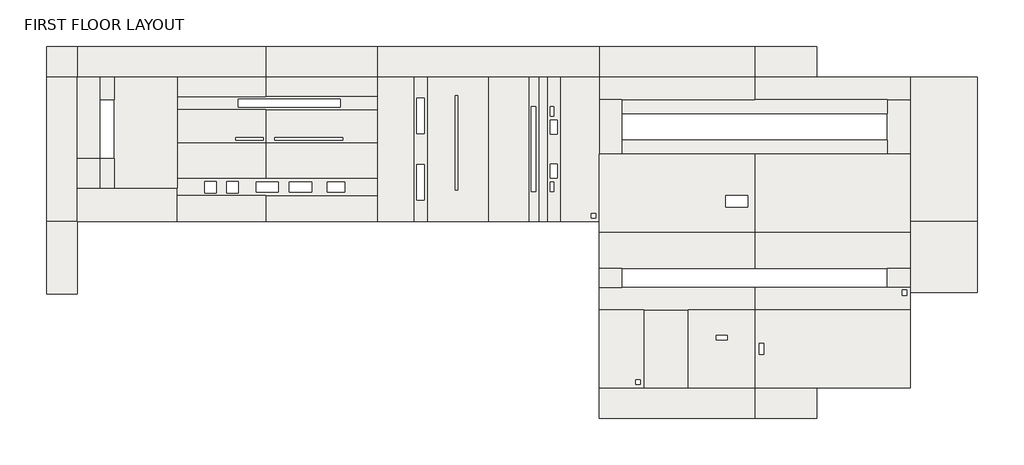
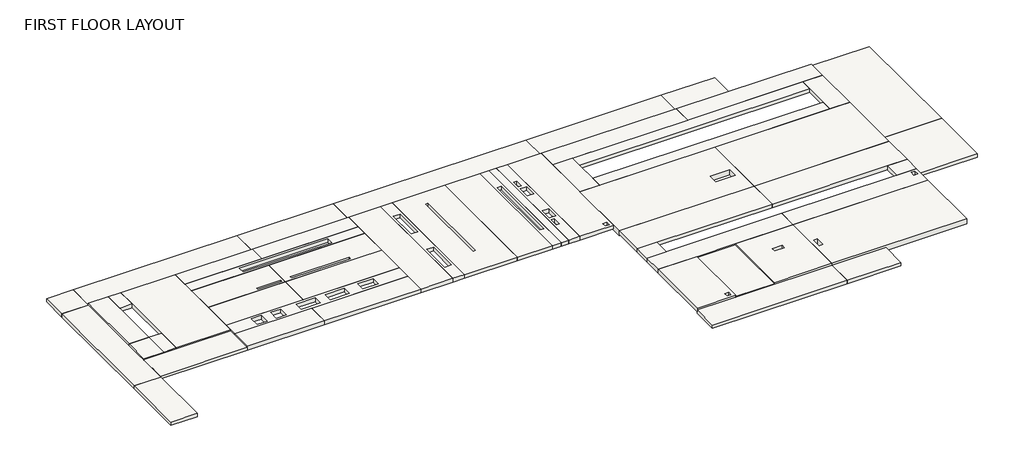
# One storey: 54 slabs.
"""IFC4 building model written with IfcOpenShell, lengths in millimetres."""

from ifc_helpers import new_model, si_unit, frame, origin, place, context, project, spatial, polyline, outline, extrude, faceted_brep, element, save

model = new_model("IFC4")

# Units and contexts
model_context = context("Model", 3, world=origin())
ifc_project = project(units=[si_unit("LENGTHUNIT", "METRE", prefix="MILLI")], contexts=[model_context])

# Site, building, storey
site = spatial("IfcSite", under=ifc_project)
building = spatial("IfcBuilding", under=site)
storey = spatial("IfcBuildingStorey", under=building, Name="FIRST FLOOR LAYOUT", Elevation=3000.0)

# Slabs
placement = place(None, origin())
element("IfcSlab", 1, ObjectType="275mm Conc30 RC_SLAB", at=placement, inside=storey, context=model_context, shape_type="Brep", body=[
    faceted_brep([(48196.59455, 17154.978224, 2725.0), (48196.59455, 17154.978224, 2800.0), (48196.59455, 17154.978224, 3000.0), (48196.59455, 20679.978224, 3000.0), (48196.59455, 20679.978224, 2725.0), (54171.647918, 20679.978224, 3000.0), (55196.59455, 20679.978224, 3000.0), (55196.59455, 20679.978224, 2800.0), (55196.59455, 20679.978224, 2725.0), (55196.59455, 17154.978224, 3000.0), (55196.59455, 17154.978224, 2800.0), (55196.59455, 17154.978224, 2725.0), (55196.59455, 17654.978224, 2725.0)], [[[0, 1, 2, 3, 4]], [[4, 3, 5, 6, 7, 8]], [[8, 7, 6, 9, 10, 11, 12]], [[11, 10, 9, 2, 1, 0]], [[9, 6, 5, 3, 2]], [[11, 0, 4, 8, 12]]]),
])
element("IfcSlab", 2, ObjectType="275mm Conc30 RC_SLAB", at=placement, inside=storey, context=model_context, shape_type="Brep", body=[
    faceted_brep([(41196.59455, 20679.978224, 3000.0), (41196.59455, 20679.978224, 2800.0), (41196.59455, 20679.978224, 2725.0), (41196.59455, 17154.978224, 2725.0), (41196.59455, 17154.978224, 2800.0), (41196.59455, 17154.978224, 3000.0), (42221.647918, 20679.978224, 3000.0), (48196.59455, 20679.978224, 3000.0), (48196.59455, 20679.978224, 2725.0), (48196.59455, 17154.978224, 3000.0), (48196.59455, 17154.978224, 2800.0), (48196.59455, 17154.978224, 2725.0), (46882.9103878, 18804.978224, 2725.0), (46882.9103878, 18804.978224, 3000.0), (46882.9103878, 18304.978224, 3000.0), (46882.9103878, 18304.978224, 2725.0), (47882.9103878, 18304.978224, 3000.0), (47882.9103878, 18304.978224, 2725.0), (47882.9103878, 18804.978224, 3000.0), (47882.9103878, 18804.978224, 2725.0)], [[[0, 1, 2, 3, 4, 5]], [[2, 1, 0, 6, 7, 8]], [[8, 7, 9, 10, 11]], [[11, 10, 9, 5, 4, 3]], [[12, 13, 14, 15]], [[15, 14, 16, 17]], [[17, 16, 18, 19]], [[13, 12, 19, 18]], [[0, 5, 9, 7, 6], [14, 13, 18, 16]], [[8, 11, 3, 2], [12, 15, 17, 19]]]),
])
element("IfcSlab", 3, ObjectType="275mm Conc30 RC_SLAB", at=placement, inside=storey, context=model_context, shape_type="Brep", body=[
    faceted_brep([(48196.59455, 13654.978224, 3000.0), (48196.59455, 13654.978224, 2800.0), (48196.59455, 13654.978224, 2725.0), (48196.59455, 10154.978224, 2725.0), (48196.59455, 10154.978224, 2800.0), (48196.59455, 10154.978224, 2900.0), (48196.59455, 10154.978224, 3000.0), (55196.59455, 13654.978224, 3000.0), (55196.59455, 13654.978224, 2800.0), (55196.59455, 13654.978224, 2725.0), (55196.59455, 10154.978224, 3000.0), (55196.59455, 10154.978224, 2725.0), (50986.647918, 10154.978224, 2725.0), (48396.647918, 12156.9029625, 2725.0), (48396.647918, 12156.9029625, 3000.0), (48396.647918, 11656.9029625, 3000.0), (48396.647918, 11656.9029625, 2725.0), (48596.647918, 11656.9029625, 3000.0), (48596.647918, 11656.9029625, 2725.0), (48596.647918, 12156.9029625, 3000.0), (48596.647918, 12156.9029625, 2725.0)], [[[0, 1, 2, 3, 4, 5, 6]], [[2, 1, 0, 7, 8, 9]], [[9, 8, 7, 10, 11]], [[11, 10, 6, 5, 4, 3, 12]], [[13, 14, 15, 16]], [[16, 15, 17, 18]], [[18, 17, 19, 20]], [[14, 13, 20, 19]], [[0, 6, 10, 7], [15, 14, 19, 17]], [[9, 11, 12, 3, 2], [13, 16, 18, 20]]]),
])
element("IfcSlab", 4, ObjectType="Insitu Concrete 150mm", at=placement, inside=storey, context=model_context, shape_type="Brep", body=[
    faceted_brep([(17696.647918, 17654.978224, 2800.0), (17696.647918, 17654.978224, 2900.0), (17696.647918, 17654.978224, 2950.0), (17696.647918, 19155.353224, 2950.0), (17696.647918, 19155.353224, 2800.0), (22196.647918, 19155.353224, 2950.0), (22196.647918, 19155.353224, 2800.0), (19372.272918, 19155.353224, 2800.0), (18721.647918, 19155.353224, 2800.0), (22196.647918, 17654.978224, 2950.0), (22196.647918, 17654.978224, 2800.0), (22196.647918, 18809.978224, 2800.0)], [[[0, 1, 2, 3, 4]], [[4, 3, 5, 6, 7, 8]], [[6, 5, 9, 10, 11]], [[10, 9, 2, 1, 0]], [[9, 5, 3, 2]], [[10, 0, 4, 8, 7, 6, 11]]]),
])
element("IfcSlab", 5, ObjectType="Insitu Concrete 150mm", at=placement, inside=storey, context=model_context, shape_type="SweptSolid", body=[
    extrude(outline(polyline([(45196.59455, 10154.978224), (43196.59455, 10154.978224), (43196.59455, 13654.978224), (45196.59455, 13654.978224), (45196.59455, 10154.978224)])), frame((0.0, 0.0, 2800.0), z_axis=(0.0, 0.0, 1.0), x_axis=(1.0, 0.0, 0.0)), (0.0, 0.0, 1.0), 150.0),
])
element("IfcSlab", 6, ObjectType="Insitu Concrete 175mm", at=placement, inside=storey, context=model_context, shape_type="SweptSolid", body=[
    extrude(outline(polyline([(17696.647918, 24154.978224), (16321.647918, 24154.978224), (16321.647918, 25529.978224), (17696.647918, 25529.978224), (17696.647918, 24154.978224)])), frame((0.0, 0.0, 2725.0), z_axis=(0.0, 0.0, 1.0), x_axis=(1.0, 0.0, 0.0)), (0.0, 0.0, 1.0), 175.0),
])
element("IfcSlab", 7, ObjectType="Insitu Concrete 175mm", at=placement, inside=storey, context=model_context, shape_type="Brep", body=[
    faceted_brep([(16321.647918, 17654.978224, 2725.0), (16321.647918, 17654.978224, 2900.0), (16321.647918, 24154.978224, 2900.0), (16321.647918, 24154.978224, 2725.0), (17696.647918, 24154.978224, 2900.0), (17696.647918, 24154.978224, 2800.0), (17696.647918, 24154.978224, 2725.0), (17696.647918, 17654.978224, 2900.0), (17696.647918, 17654.978224, 2800.0), (17696.647918, 17654.978224, 2725.0)], [[[0, 1, 2, 3]], [[3, 2, 4, 5, 6]], [[6, 5, 4, 7, 8, 9]], [[9, 8, 7, 1, 0]], [[7, 4, 2, 1]], [[9, 0, 3, 6]]]),
])
element("IfcSlab", 8, ObjectType="Insitu Concrete 175mm", at=placement, inside=storey, context=model_context, shape_type="Brep", body=[
    faceted_brep([(17696.647918, 24154.978224, 2725.0), (17696.647918, 24154.978224, 2800.0), (17696.647918, 24154.978224, 2900.0), (17696.647918, 25529.978224, 2900.0), (17696.647918, 25529.978224, 2725.0), (26196.647918, 25529.978224, 2900.0), (26196.647918, 25529.978224, 2725.0), (26196.647918, 24154.978224, 2900.0), (26196.647918, 24154.978224, 2800.0), (26196.647918, 24154.978224, 2725.0)], [[[0, 1, 2, 3, 4]], [[4, 3, 5, 6]], [[6, 5, 7, 8, 9]], [[9, 8, 7, 2, 1, 0]], [[7, 5, 3, 2]], [[9, 0, 4, 6]]]),
])
element("IfcSlab", 9, ObjectType="Insitu Concrete 175mm", at=placement, inside=storey, context=model_context, shape_type="Brep", body=[
    faceted_brep([(26196.647918, 24154.978224, 2725.0), (26196.647918, 24154.978224, 2800.0), (26196.647918, 24154.978224, 2900.0), (26196.647918, 25529.978224, 2900.0), (26196.647918, 25529.978224, 2725.0), (31196.647918, 25529.978224, 2900.0), (31196.647918, 25529.978224, 2725.0), (31196.647918, 24154.978224, 2900.0), (31196.647918, 24154.978224, 2800.0), (31196.647918, 24154.978224, 2725.0)], [[[0, 1, 2, 3, 4]], [[4, 3, 5, 6]], [[6, 5, 7, 8, 9]], [[9, 8, 7, 2, 1, 0]], [[7, 5, 3, 2]], [[9, 0, 4, 6]]]),
])
element("IfcSlab", 10, ObjectType="Insitu Concrete 175mm", at=placement, inside=storey, context=model_context, shape_type="Brep", body=[
    faceted_brep([(31196.647918, 24154.978224, 2725.0), (31196.647918, 24154.978224, 2800.0), (31196.647918, 24154.978224, 2900.0), (31196.647918, 25529.978224, 2900.0), (31196.647918, 25529.978224, 2725.0), (41196.59455, 25529.978224, 2900.0), (41196.59455, 25529.978224, 2725.0), (41196.59455, 24154.978224, 2900.0), (41196.59455, 24154.978224, 2800.0), (41196.59455, 24154.978224, 2725.0)], [[[0, 1, 2, 3, 4]], [[4, 3, 5, 6]], [[6, 5, 7, 8, 9]], [[9, 8, 7, 2, 1, 0]], [[7, 5, 3, 2]], [[9, 0, 4, 6]]]),
])
element("IfcSlab", 11, ObjectType="Insitu Concrete 175mm", at=placement, inside=storey, context=model_context, shape_type="Brep", body=[
    faceted_brep([(41196.59455, 24154.978224, 2725.0), (41196.59455, 24154.978224, 2800.0), (41196.59455, 24154.978224, 2900.0), (41196.59455, 25529.978224, 2900.0), (41196.59455, 25529.978224, 2725.0), (48196.59455, 25529.978224, 2900.0), (48196.59455, 25529.978224, 2725.0), (48196.59455, 24154.978224, 2900.0), (48196.59455, 24154.978224, 2800.0), (48196.59455, 24154.978224, 2725.0)], [[[0, 1, 2, 3, 4]], [[4, 3, 5, 6]], [[6, 5, 7, 8, 9]], [[9, 8, 7, 2, 1, 0]], [[7, 5, 3, 2]], [[9, 0, 4, 6]]]),
])
element("IfcSlab", 12, ObjectType="Insitu Concrete 175mm", at=placement, inside=storey, context=model_context, shape_type="Brep", body=[
    faceted_brep([(55196.59455, 17654.978224, 2725.0), (55196.59455, 17654.978224, 2900.0), (55196.59455, 24154.978224, 2900.0), (55196.59455, 24154.978224, 2800.0), (55196.59455, 24154.978224, 2725.0), (55196.59455, 20679.978224, 2725.0), (58221.59455, 24154.978224, 2900.0), (58221.59455, 24154.978224, 2725.0), (58221.59455, 17654.978224, 2900.0), (58221.59455, 17654.978224, 2725.0)], [[[0, 1, 2, 3, 4, 5]], [[4, 3, 2, 6, 7]], [[7, 6, 8, 9]], [[9, 8, 1, 0]], [[8, 6, 2, 1]], [[9, 0, 5, 4, 7]]]),
])
element("IfcSlab", 13, ObjectType="Insitu Concrete 175mm", at=placement, inside=storey, context=model_context, shape_type="Brep", body=[
    faceted_brep([(41196.59455, 8779.978224, 2725.0), (41196.59455, 8779.978224, 2900.0), (41196.59455, 10154.978224, 2900.0), (41196.59455, 10154.978224, 2800.0), (41196.59455, 10154.978224, 2725.0), (48196.59455, 10154.978224, 2900.0), (48196.59455, 10154.978224, 2800.0), (48196.59455, 10154.978224, 2725.0), (48196.59455, 8779.978224, 2900.0), (48196.59455, 8779.978224, 2725.0)], [[[0, 1, 2, 3, 4]], [[4, 3, 2, 5, 6, 7]], [[7, 6, 5, 8, 9]], [[9, 8, 1, 0]], [[8, 5, 2, 1]], [[9, 0, 4, 7]]]),
])
element("IfcSlab", 14, ObjectType="Insitu Concrete 175mm", at=placement, inside=storey, context=model_context, shape_type="SweptSolid", body=[
    extrude(outline(polyline([(50986.647918, 8779.978224), (48196.59455, 8779.978224), (48196.59455, 10154.978224), (50986.647918, 10154.978224), (50986.647918, 8779.978224)])), frame((0.0, 0.0, 2725.0), z_axis=(0.0, 0.0, 1.0), x_axis=(1.0, 0.0, 0.0)), (0.0, 0.0, 1.0), 175.0),
])
element("IfcSlab", 15, ObjectType="Insitu Concrete 175mm", at=placement, inside=storey, context=model_context, shape_type="Brep", body=[
    faceted_brep([(58221.59455, 14439.978224, 2725.0), (58221.59455, 14439.978224, 2900.0), (55196.59455, 14439.978224, 2900.0), (55196.59455, 14439.978224, 2725.0), (55196.59455, 17654.978224, 2900.0), (55196.59455, 17654.978224, 2725.0), (55196.59455, 17154.978224, 2725.0), (58221.59455, 17654.978224, 2900.0), (58221.59455, 17654.978224, 2725.0)], [[[0, 1, 2, 3]], [[3, 2, 4, 5, 6]], [[5, 4, 7, 8]], [[8, 7, 1, 0]], [[7, 4, 2, 1]], [[8, 0, 3, 6, 5]]]),
])
element("IfcSlab", 16, ObjectType="Insitu Concrete 175mm", at=placement, inside=storey, context=model_context, shape_type="Brep", body=[
    faceted_brep([(50989.6755121, 25529.978224, 2725.0), (50989.6755121, 25529.978224, 2900.0), (50989.6755121, 24154.978224, 2900.0), (50989.6755121, 24154.978224, 2725.0), (48196.59455, 24154.978224, 2900.0), (48196.59455, 24154.978224, 2800.0), (48196.59455, 24154.978224, 2725.0), (48196.59455, 25529.978224, 2900.0), (48196.59455, 25529.978224, 2725.0)], [[[0, 1, 2, 3]], [[3, 2, 4, 5, 6]], [[6, 5, 4, 7, 8]], [[8, 7, 1, 0]], [[7, 4, 2, 1]], [[8, 0, 3, 6]]]),
])
element("IfcSlab", 17, ObjectType="Insitu Concrete 175mm", at=placement, inside=storey, context=model_context, shape_type="SweptSolid", body=[
    extrude(outline(polyline([(17696.647918, 17654.978224), (17696.647918, 14369.9782239), (16321.647918, 14369.9782239), (16321.647918, 17654.978224), (17696.647918, 17654.978224)])), frame((0.0, 0.0, 2725.0), z_axis=(0.0, 0.0, 1.0), x_axis=(1.0, 0.0, 0.0)), (0.0, 0.0, 1.0), 175.0),
])
element("IfcSlab", 18, ObjectType="Insitu Concrete 200mm", at=placement, inside=storey, context=model_context, shape_type="Brep", body=[
    faceted_brep([(17696.647918, 20479.978224, 2800.0), (17696.647918, 20479.978224, 3000.0), (17696.647918, 24154.978224, 3000.0), (17696.647918, 24154.978224, 2900.0), (17696.647918, 24154.978224, 2800.0), (18721.647918, 24154.978224, 3000.0), (18721.647918, 24154.978224, 2800.0), (18721.647918, 23129.978224, 3000.0), (18721.647918, 20479.978224, 3000.0), (18721.647918, 20479.978224, 2800.0), (18721.647918, 23129.978224, 2800.0)], [[[0, 1, 2, 3, 4]], [[4, 3, 2, 5, 6]], [[6, 5, 7, 8, 9, 10]], [[9, 8, 1, 0]], [[8, 7, 5, 2, 1]], [[9, 0, 4, 6, 10]]]),
])
element("IfcSlab", 19, ObjectType="Insitu Concrete 200mm", at=placement, inside=storey, context=model_context, shape_type="Brep", body=[
    faceted_brep([(19372.272918, 19155.353224, 2800.0), (19372.272918, 19155.353224, 3000.0), (19372.272918, 20479.978224, 3000.0), (19372.272918, 23129.978224, 3000.0), (19372.272918, 24154.978224, 3000.0), (19372.272918, 24154.978224, 2800.0), (19372.272918, 23129.978224, 2800.0), (19372.272918, 20479.978224, 2800.0), (22196.647918, 24154.978224, 3000.0), (22196.647918, 24154.978224, 2800.0), (22196.647918, 23279.978224, 3000.0), (22196.647918, 22679.978224, 3000.0), (22196.647918, 21184.4782477, 3000.0), (22196.647918, 19575.978224, 3000.0), (22196.647918, 19155.353224, 3000.0), (22196.647918, 19155.353224, 2950.0), (22196.647918, 19155.353224, 2800.0), (22196.647918, 19575.978224, 2800.0), (22196.647918, 21184.4782477, 2800.0), (22196.647918, 22679.978224, 2800.0), (22196.647918, 23279.978224, 2800.0)], [[[0, 1, 2, 3, 4, 5, 6, 7]], [[5, 4, 8, 9]], [[9, 8, 10, 11, 12, 13, 14, 15, 16, 17, 18, 19, 20]], [[16, 15, 14, 1, 0]], [[14, 13, 12, 11, 10, 8, 4, 3, 2, 1]], [[16, 0, 7, 6, 5, 9, 20, 19, 18, 17]]]),
])
element("IfcSlab", 20, ObjectType="Insitu Concrete 200mm", at=placement, inside=storey, context=model_context, shape_type="SweptSolid", body=[
    extrude(outline(polyline([(19372.272918, 23129.978224), (18721.647918, 23129.978224), (18721.647918, 24154.978224), (19372.272918, 24154.978224), (19372.272918, 23129.978224)])), frame((0.0, 0.0, 2800.0), z_axis=(0.0, 0.0, 1.0), x_axis=(1.0, 0.0, 0.0)), (0.0, 0.0, 1.0), 200.0),
])
element("IfcSlab", 21, ObjectType="Insitu Concrete 200mm", at=placement, inside=storey, context=model_context, shape_type="SweptSolid", body=[
    extrude(outline(polyline([(19372.272918, 19155.353224), (18721.647918, 19155.353224), (18721.647918, 20479.978224), (19372.272918, 20479.978224), (19372.272918, 19155.353224)])), frame((0.0, 0.0, 2800.0), z_axis=(0.0, 0.0, 1.0), x_axis=(1.0, 0.0, 0.0)), (0.0, 0.0, 1.0), 200.0),
])
element("IfcSlab", 22, ObjectType="Insitu Concrete 200mm", at=placement, inside=storey, context=model_context, shape_type="Brep", body=[
    faceted_brep([(22196.647918, 23279.978224, 2800.0), (22196.647918, 23279.978224, 3000.0), (22196.647918, 24154.978224, 3000.0), (22196.647918, 24154.978224, 2800.0), (26196.647918, 24154.978224, 3000.0), (26196.647918, 24154.978224, 2900.0), (26196.647918, 24154.978224, 2800.0), (26196.647918, 23279.978224, 3000.0), (26196.647918, 23279.978224, 2800.0)], [[[0, 1, 2, 3]], [[3, 2, 4, 5, 6]], [[6, 5, 4, 7, 8]], [[8, 7, 1, 0]], [[7, 4, 2, 1]], [[8, 0, 3, 6]]]),
])
element("IfcSlab", 23, ObjectType="Insitu Concrete 200mm", at=placement, inside=storey, context=model_context, shape_type="Brep", body=[
    faceted_brep([(22196.647918, 23279.978224, 3000.0), (22196.647918, 23279.978224, 2800.0), (22196.647918, 22679.978224, 2800.0), (22196.647918, 22679.978224, 3000.0), (26196.647918, 23279.978224, 3000.0), (31196.647918, 23279.978224, 3000.0), (31196.647918, 23279.978224, 2800.0), (26196.647918, 23279.978224, 2800.0), (31196.647918, 22680.603224, 3000.0), (31196.647918, 22680.603224, 2800.0), (24947.617918, 23154.978224, 2800.0), (24947.617918, 23154.978224, 3000.0), (24947.617918, 22805.788224, 3000.0), (24947.617918, 22805.788224, 2800.0), (29546.647918, 22805.788224, 3000.0), (29546.647918, 22805.788224, 2800.0), (29546.647918, 23154.978224, 3000.0), (29546.647918, 23154.978224, 2800.0)], [[[0, 1, 2, 3]], [[1, 0, 4, 5, 6, 7]], [[6, 5, 8, 9]], [[9, 8, 3, 2]], [[10, 11, 12, 13]], [[13, 12, 14, 15]], [[15, 14, 16, 17]], [[11, 10, 17, 16]], [[0, 3, 8, 5, 4], [12, 11, 16, 14]], [[6, 9, 2, 1, 7], [10, 13, 15, 17]]]),
])
element("IfcSlab", 24, ObjectType="Insitu Concrete 200mm", at=placement, inside=storey, context=model_context, shape_type="Brep", body=[
    faceted_brep([(22196.647918, 19575.978224, 3000.0), (22196.647918, 19575.978224, 2800.0), (22196.647918, 19155.353224, 2800.0), (22196.647918, 18809.978224, 2800.0), (22196.647918, 18809.978224, 3000.0), (22196.647918, 19155.353224, 3000.0), (26196.647918, 19575.978224, 3000.0), (31196.647918, 19575.978224, 3000.0), (31196.647918, 19575.978224, 2800.0), (26196.647918, 19575.978224, 2800.0), (31196.647918, 18809.978224, 3000.0), (31196.647918, 18809.978224, 2800.0), (26196.647918, 18809.978224, 3000.0), (26196.647918, 18809.978224, 2800.0), (23442.8887099, 19450.978224, 2800.0), (23442.8887099, 19450.978224, 3000.0), (23442.8887099, 18934.978224, 3000.0), (23442.8887099, 18934.978224, 2800.0), (23958.8887099, 18934.978224, 3000.0), (23958.8887099, 18934.978224, 2800.0), (23958.8887099, 19450.978224, 3000.0), (23958.8887099, 19450.978224, 2800.0), (24442.8887099, 19450.978224, 2800.0), (24442.8887099, 19450.978224, 3000.0), (24442.8887099, 18934.978224, 3000.0), (24442.8887099, 18934.978224, 2800.0), (24958.8887099, 18934.978224, 3000.0), (24958.8887099, 18934.978224, 2800.0), (24958.8887099, 19450.978224, 3000.0), (24958.8887099, 19450.978224, 2800.0), (25754.0026815, 19420.7731656, 2800.0), (25754.0026815, 19420.7731656, 3000.0), (25754.0026815, 18970.7731656, 3000.0), (25754.0026815, 18970.7731656, 2800.0), (26747.7747382, 18970.7731656, 3000.0), (26747.7747382, 18970.7731656, 2800.0), (26747.7747382, 19420.7731656, 3000.0), (26747.7747382, 19420.7731656, 2800.0), (27254.0026815, 19420.7731656, 2800.0), (27254.0026815, 19420.7731656, 3000.0), (27254.0026815, 18970.7731656, 3000.0), (27254.0026815, 18970.7731656, 2800.0), (28247.7747382, 18970.7731656, 3000.0), (28247.7747382, 18970.7731656, 2800.0), (28247.7747382, 19420.7731656, 3000.0), (28247.7747382, 19420.7731656, 2800.0), (28954.0026815, 19420.7731656, 2800.0), (28954.0026815, 19420.7731656, 3000.0), (28954.0026815, 18970.7731656, 3000.0), (28954.0026815, 18970.7731656, 2800.0), (29747.7747382, 18970.7731656, 3000.0), (29747.7747382, 18970.7731656, 2800.0), (29747.7747382, 19420.7731656, 3000.0), (29747.7747382, 19420.7731656, 2800.0)], [[[0, 1, 2, 3, 4, 5]], [[1, 0, 6, 7, 8, 9]], [[8, 7, 10, 11]], [[11, 10, 12, 4, 3, 13]], [[14, 15, 16, 17]], [[17, 16, 18, 19]], [[19, 18, 20, 21]], [[15, 14, 21, 20]], [[22, 23, 24, 25]], [[25, 24, 26, 27]], [[27, 26, 28, 29]], [[23, 22, 29, 28]], [[30, 31, 32, 33]], [[33, 32, 34, 35]], [[35, 34, 36, 37]], [[31, 30, 37, 36]], [[38, 39, 40, 41]], [[41, 40, 42, 43]], [[43, 42, 44, 45]], [[39, 38, 45, 44]], [[46, 47, 48, 49]], [[49, 48, 50, 51]], [[51, 50, 52, 53]], [[47, 46, 53, 52]], [[0, 5, 4, 12, 10, 7, 6], [16, 15, 20, 18], [24, 23, 28, 26], [32, 31, 36, 34], [40, 39, 44, 42], [48, 47, 52, 50]], [[8, 11, 13, 3, 2, 1, 9], [14, 17, 19, 21], [22, 25, 27, 29], [30, 33, 35, 37], [38, 41, 43, 45], [46, 49, 51, 53]]]),
])
element("IfcSlab", 25, ObjectType="Insitu Concrete 200mm", at=placement, inside=storey, context=model_context, shape_type="SweptSolid", body=[
    extrude(outline(polyline([(31196.647918, 22680.603224), (31196.647918, 21184.4782477), (26196.647918, 21184.4782477), (26196.647918, 22680.603224), (31196.647918, 22680.603224)]), holes=[polyline([(26602.1799166, 21416.3982477), (26602.1799166, 21309.4782714), (29644.1478762, 21309.4782714), (29644.1478762, 21416.3982477), (26602.1799166, 21416.3982477)])]), frame((0.0, 0.0, 2800.0), z_axis=(0.0, 0.0, 1.0), x_axis=(1.0, 0.0, 0.0)), (0.0, 0.0, 1.0), 200.0),
])
element("IfcSlab", 26, ObjectType="Insitu Concrete 200mm", at=placement, inside=storey, context=model_context, shape_type="SweptSolid", body=[
    extrude(outline(polyline([(26196.647918, 19575.978224), (22196.647918, 19575.978224), (22196.647918, 21184.4782477), (26196.647918, 21184.4782477), (26196.647918, 19575.978224)])), frame((0.0, 0.0, 2800.0), z_axis=(0.0, 0.0, 1.0), x_axis=(1.0, 0.0, 0.0)), (0.0, 0.0, 1.0), 200.0),
])
element("IfcSlab", 27, ObjectType="Insitu Concrete 200mm", at=placement, inside=storey, context=model_context, shape_type="SweptSolid", body=[
    extrude(outline(polyline([(31196.647918, 19575.978224), (26196.647918, 19575.978224), (26196.647918, 21184.4782477), (31196.647918, 21184.4782477), (31196.647918, 19575.978224)])), frame((0.0, 0.0, 2800.0), z_axis=(0.0, 0.0, 1.0), x_axis=(1.0, 0.0, 0.0)), (0.0, 0.0, 1.0), 200.0),
])
element("IfcSlab", 28, ObjectType="Insitu Concrete 200mm", at=placement, inside=storey, context=model_context, shape_type="SweptSolid", body=[
    extrude(outline(polyline([(26196.647918, 21184.4782477), (22196.647918, 21184.4782477), (22196.647918, 22679.978224), (26196.647918, 22680.603224), (26196.647918, 21184.4782477)]), holes=[polyline([(24844.1479166, 21416.3982714), (24844.1479166, 21309.4785044), (26086.1159166, 21309.4785044), (26086.1159166, 21416.3982714), (24844.1479166, 21416.3982714)])]), frame((0.0, 0.0, 2800.0), z_axis=(0.0, 0.0, 1.0), x_axis=(1.0, 0.0, 0.0)), (0.0, 0.0, 1.0), 200.0),
])
element("IfcSlab", 29, ObjectType="Insitu Concrete 200mm", at=placement, inside=storey, context=model_context, shape_type="Brep", body=[
    faceted_brep([(41196.59455, 23129.978224, 2800.0), (41196.59455, 23129.978224, 3000.0), (41196.59455, 24154.978224, 3000.0), (41196.59455, 24154.978224, 2900.0), (41196.59455, 24154.978224, 2800.0), (48196.59455, 24154.978224, 3000.0), (48196.59455, 24154.978224, 2900.0), (48196.59455, 24154.978224, 2800.0), (48196.59455, 23129.978224, 3000.0), (48196.59455, 23129.978224, 2800.0), (42221.647918, 23129.978224, 3000.0), (42221.647918, 23129.978224, 2800.0)], [[[0, 1, 2, 3, 4]], [[4, 3, 2, 5, 6, 7]], [[7, 6, 5, 8, 9]], [[9, 8, 10, 1, 0, 11]], [[8, 5, 2, 1, 10]], [[9, 11, 0, 4, 7]]]),
])
element("IfcSlab", 30, ObjectType="Insitu Concrete 200mm", at=placement, inside=storey, context=model_context, shape_type="Brep", body=[
    faceted_brep([(48196.59455, 23129.978224, 2800.0), (48196.59455, 23129.978224, 3000.0), (48196.59455, 24154.978224, 3000.0), (48196.59455, 24154.978224, 2900.0), (48196.59455, 24154.978224, 2800.0), (55196.59455, 24154.978224, 3000.0), (55196.59455, 24154.978224, 2900.0), (55196.59455, 24154.978224, 2800.0), (55196.59455, 23129.978224, 3000.0), (55196.59455, 23129.978224, 2800.0), (54171.647918, 23129.978224, 3000.0), (54171.647918, 23129.978224, 2800.0)], [[[0, 1, 2, 3, 4]], [[4, 3, 2, 5, 6, 7]], [[7, 6, 5, 8, 9]], [[9, 8, 10, 1, 0, 11]], [[8, 5, 2, 1, 10]], [[9, 11, 0, 4, 7]]]),
])
element("IfcSlab", 31, ObjectType="Insitu Concrete 200mm", at=placement, inside=storey, context=model_context, shape_type="Brep", body=[
    faceted_brep([(41196.59455, 20679.978224, 2800.0), (41196.59455, 20679.978224, 3000.0), (41196.59455, 23129.978224, 3000.0), (41196.59455, 23129.978224, 2800.0), (42221.647918, 23129.978224, 3000.0), (42221.647918, 23129.978224, 2800.0), (42221.647918, 22504.978224, 3000.0), (42221.647918, 21304.978224, 3000.0), (42221.647918, 20679.978224, 3000.0), (42221.647918, 20679.978224, 2800.0), (42221.647918, 21304.978224, 2800.0), (42221.647918, 22504.978224, 2800.0)], [[[0, 1, 2, 3]], [[3, 2, 4, 5]], [[5, 4, 6, 7, 8, 9, 10, 11]], [[9, 8, 1, 0]], [[8, 7, 6, 4, 2, 1]], [[9, 0, 3, 5, 11, 10]]]),
])
element("IfcSlab", 32, ObjectType="Insitu Concrete 200mm", at=placement, inside=storey, context=model_context, shape_type="Brep", body=[
    faceted_brep([(54171.647918, 20679.978224, 2800.0), (54171.647918, 20679.978224, 3000.0), (54171.647918, 21304.978224, 3000.0), (54171.647918, 22504.978224, 3000.0), (54171.647918, 23129.978224, 3000.0), (54171.647918, 23129.978224, 2800.0), (54171.647918, 22504.978224, 2800.0), (54171.647918, 21304.978224, 2800.0), (55196.59455, 23129.978224, 3000.0), (55196.59455, 23129.978224, 2800.0), (55196.59455, 20679.978224, 3000.0), (55196.59455, 20679.978224, 2800.0)], [[[0, 1, 2, 3, 4, 5, 6, 7]], [[5, 4, 8, 9]], [[9, 8, 10, 11]], [[11, 10, 1, 0]], [[10, 8, 4, 3, 2, 1]], [[11, 0, 7, 6, 5, 9]]]),
])
element("IfcSlab", 33, ObjectType="Insitu Concrete 200mm", at=placement, inside=storey, context=model_context, shape_type="Brep", body=[
    faceted_brep([(41196.59455, 13654.978224, 2800.0), (41196.59455, 13654.978224, 3000.0), (41196.59455, 14680.475, 3000.0), (41196.59455, 14680.475, 2800.0), (42221.647918, 14680.475, 3000.0), (48196.59455, 14680.475, 3000.0), (48196.59455, 14680.475, 2800.0), (42221.647918, 14680.475, 2800.0), (48196.59455, 13654.978224, 3000.0), (48196.59455, 13654.978224, 2800.0), (45196.59455, 13654.978224, 3000.0), (43196.59455, 13654.978224, 3000.0), (43196.59455, 13654.978224, 2800.0), (45196.59455, 13654.978224, 2800.0)], [[[0, 1, 2, 3]], [[3, 2, 4, 5, 6, 7]], [[6, 5, 8, 9]], [[9, 8, 10, 11, 1, 0, 12, 13]], [[8, 5, 4, 2, 1, 11, 10]], [[9, 13, 12, 0, 3, 7, 6]]]),
])
element("IfcSlab", 34, ObjectType="Insitu Concrete 200mm", at=placement, inside=storey, context=model_context, shape_type="Brep", body=[
    faceted_brep([(48196.59455, 14680.475, 3000.0), (48196.59455, 14680.475, 2800.0), (48196.59455, 13654.978224, 2800.0), (48196.59455, 13654.978224, 3000.0), (54171.647918, 14680.475, 3000.0), (55196.59455, 14680.475, 3000.0), (55196.59455, 14680.475, 2800.0), (54171.647918, 14680.475, 2800.0), (55196.59455, 13654.978224, 3000.0), (55196.59455, 13654.978224, 2800.0), (54846.647918, 14561.2759461, 2800.0), (54846.647918, 14561.2759461, 3000.0), (54846.647918, 14311.2759461, 3000.0), (54846.647918, 14311.2759461, 2800.0), (55046.647918, 14311.2759461, 3000.0), (55046.647918, 14311.2759461, 2800.0), (55046.647918, 14561.2759461, 3000.0), (55046.647918, 14561.2759461, 2800.0)], [[[0, 1, 2, 3]], [[1, 0, 4, 5, 6, 7]], [[6, 5, 8, 9]], [[9, 8, 3, 2]], [[10, 11, 12, 13]], [[13, 12, 14, 15]], [[15, 14, 16, 17]], [[11, 10, 17, 16]], [[0, 3, 8, 5, 4], [12, 11, 16, 14]], [[6, 9, 2, 1, 7], [10, 13, 15, 17]]]),
])
element("IfcSlab", 35, ObjectType="Insitu Concrete 200mm", at=placement, inside=storey, context=model_context, shape_type="Brep", body=[
    faceted_brep([(45196.59455, 13654.978224, 3000.0), (45196.59455, 13654.978224, 2950.0), (45196.59455, 13654.978224, 2800.0), (45196.59455, 10154.978224, 2800.0), (45196.59455, 10154.978224, 2950.0), (45196.59455, 10154.978224, 3000.0), (48196.59455, 13654.978224, 3000.0), (48196.59455, 13654.978224, 2800.0), (48196.59455, 10154.978224, 3000.0), (48196.59455, 10154.978224, 2900.0), (48196.59455, 10154.978224, 2800.0), (46466.647918, 12504.978224, 2800.0), (46466.647918, 12504.978224, 3000.0), (46466.647918, 12304.978224, 3000.0), (46466.647918, 12304.978224, 2800.0), (46966.647918, 12304.978224, 3000.0), (46966.647918, 12304.978224, 2800.0), (46966.647918, 12504.978224, 3000.0), (46966.647918, 12504.978224, 2800.0)], [[[0, 1, 2, 3, 4, 5]], [[2, 1, 0, 6, 7]], [[7, 6, 8, 9, 10]], [[10, 9, 8, 5, 4, 3]], [[11, 12, 13, 14]], [[14, 13, 15, 16]], [[16, 15, 17, 18]], [[12, 11, 18, 17]], [[0, 5, 8, 6], [13, 12, 17, 15]], [[7, 10, 3, 2], [11, 14, 16, 18]]]),
])
element("IfcSlab", 36, ObjectType="Insitu Concrete 200mm", at=placement, inside=storey, context=model_context, shape_type="Brep", body=[
    faceted_brep([(41196.59455, 13654.978224, 3000.0), (41196.59455, 13654.978224, 2800.0), (41196.59455, 10154.978224, 2800.0), (41196.59455, 10154.978224, 2900.0), (41196.59455, 10154.978224, 3000.0), (43196.59455, 13654.978224, 3000.0), (43196.59455, 13654.978224, 2950.0), (43196.59455, 13654.978224, 2800.0), (43196.59455, 10154.978224, 3000.0), (43196.59455, 10154.978224, 2950.0), (43196.59455, 10154.978224, 2800.0), (42842.8642494, 10507.5545452, 2800.0), (42842.8642494, 10507.5545452, 3000.0), (42842.8642494, 10307.5545452, 3000.0), (42842.8642494, 10307.5545452, 2800.0), (43042.8642494, 10307.5545452, 3000.0), (43042.8642494, 10307.5545452, 2800.0), (43042.8642494, 10507.5545452, 3000.0), (43042.8642494, 10507.5545452, 2800.0)], [[[0, 1, 2, 3, 4]], [[1, 0, 5, 6, 7]], [[7, 6, 5, 8, 9, 10]], [[10, 9, 8, 4, 3, 2]], [[11, 12, 13, 14]], [[14, 13, 15, 16]], [[16, 15, 17, 18]], [[12, 11, 18, 17]], [[0, 4, 8, 5], [13, 12, 17, 15]], [[7, 10, 2, 1], [11, 14, 16, 18]]]),
])
element("IfcSlab", 37, ObjectType="Insitu Concrete 200mm", at=placement, inside=storey, context=model_context, shape_type="Brep", body=[
    faceted_brep([(48196.59455, 15530.478224, 2800.0), (48196.59455, 15530.478224, 3000.0), (48196.59455, 17154.978224, 3000.0), (48196.59455, 17154.978224, 2800.0), (55196.59455, 17154.978224, 3000.0), (55196.59455, 17154.978224, 2800.0), (55196.59455, 15530.478224, 3000.0), (55196.59455, 15530.478224, 2800.0), (54171.647918, 15530.478224, 3000.0), (54171.647918, 15530.478224, 2800.0)], [[[0, 1, 2, 3]], [[3, 2, 4, 5]], [[5, 4, 6, 7]], [[7, 6, 8, 1, 0, 9]], [[6, 4, 2, 1, 8]], [[7, 9, 0, 3, 5]]]),
])
element("IfcSlab", 38, ObjectType="Insitu Concrete 200mm", at=placement, inside=storey, context=model_context, shape_type="Brep", body=[
    faceted_brep([(41196.59455, 15530.478224, 2800.0), (41196.59455, 15530.478224, 3000.0), (41196.59455, 17154.978224, 3000.0), (41196.59455, 17154.978224, 2800.0), (48196.59455, 17154.978224, 3000.0), (48196.59455, 17154.978224, 2800.0), (48196.59455, 15530.478224, 3000.0), (48196.59455, 15530.478224, 2800.0), (42221.647918, 15530.478224, 3000.0), (42221.647918, 15530.478224, 2800.0)], [[[0, 1, 2, 3]], [[3, 2, 4, 5]], [[5, 4, 6, 7]], [[7, 6, 8, 1, 0, 9]], [[6, 4, 2, 1, 8]], [[7, 9, 0, 3, 5]]]),
])
element("IfcSlab", 39, ObjectType="Insitu Concrete 200mm", at=placement, inside=storey, context=model_context, shape_type="Brep", body=[
    faceted_brep([(26196.647918, 23279.978224, 2800.0), (26196.647918, 23279.978224, 3000.0), (26196.647918, 24154.978224, 3000.0), (26196.647918, 24154.978224, 2900.0), (26196.647918, 24154.978224, 2800.0), (31196.647918, 24154.978224, 3000.0), (31196.647918, 24154.978224, 2900.0), (31196.647918, 24154.978224, 2800.0), (31196.647918, 23279.978224, 3000.0), (31196.647918, 23279.978224, 2800.0)], [[[0, 1, 2, 3, 4]], [[4, 3, 2, 5, 6, 7]], [[7, 6, 5, 8, 9]], [[9, 8, 1, 0]], [[8, 5, 2, 1]], [[9, 0, 4, 7]]]),
])
element("IfcSlab", 40, ObjectType="Insitu Concrete 200mm", at=placement, inside=storey, context=model_context, shape_type="Brep", body=[
    faceted_brep([(17696.647918, 19155.353224, 2800.0), (17696.647918, 19155.353224, 2950.0), (17696.647918, 19155.353224, 3000.0), (17696.647918, 20479.978224, 3000.0), (17696.647918, 20479.978224, 2800.0), (18721.647918, 20479.978224, 3000.0), (18721.647918, 20479.978224, 2800.0), (18721.647918, 19155.353224, 3000.0), (18721.647918, 19155.353224, 2800.0)], [[[0, 1, 2, 3, 4]], [[4, 3, 5, 6]], [[6, 5, 7, 8]], [[8, 7, 2, 1, 0]], [[7, 5, 3, 2]], [[8, 0, 4, 6]]]),
])
element("IfcSlab", 41, ObjectType="Insitu Concrete 200mm", at=placement, inside=storey, context=model_context, shape_type="Brep", body=[
    faceted_brep([(42221.647918, 20679.978224, 2800.0), (42221.647918, 20679.978224, 3000.0), (42221.647918, 21304.978224, 3000.0), (42221.647918, 21304.978224, 2800.0), (54171.647918, 21304.978224, 3000.0), (54171.647918, 21304.978224, 2800.0), (54171.647918, 20679.978224, 3000.0), (54171.647918, 20679.978224, 2800.0), (48196.59455, 20679.978224, 3000.0)], [[[0, 1, 2, 3]], [[3, 2, 4, 5]], [[5, 4, 6, 7]], [[7, 6, 8, 1, 0]], [[6, 4, 2, 1, 8]], [[7, 0, 3, 5]]]),
])
element("IfcSlab", 42, ObjectType="Insitu Concrete 200mm", at=placement, inside=storey, context=model_context, shape_type="Brep", body=[
    faceted_brep([(42221.647918, 22504.978224, 2800.0), (42221.647918, 22504.978224, 3000.0), (42221.647918, 23129.978224, 3000.0), (42221.647918, 23129.978224, 2800.0), (48196.59455, 23129.978224, 3000.0), (54171.647918, 23129.978224, 3000.0), (54171.647918, 23129.978224, 2800.0), (48196.59455, 23129.978224, 2800.0), (54171.647918, 22504.978224, 3000.0), (54171.647918, 22504.978224, 2800.0)], [[[0, 1, 2, 3]], [[3, 2, 4, 5, 6, 7]], [[6, 5, 8, 9]], [[9, 8, 1, 0]], [[8, 5, 4, 2, 1]], [[9, 0, 3, 7, 6]]]),
])
element("IfcSlab", 43, ObjectType="Insitu Concrete 200mm", at=placement, inside=storey, context=model_context, shape_type="SweptSolid", body=[
    extrude(outline(polyline([(42221.647918, 14680.475), (41196.59455, 14680.475), (41196.59455, 15530.478224), (42221.647918, 15530.478224), (42221.647918, 14680.475)])), frame((0.0, 0.0, 2800.0), z_axis=(0.0, 0.0, 1.0), x_axis=(1.0, 0.0, 0.0)), (0.0, 0.0, 1.0), 200.0),
])
element("IfcSlab", 44, ObjectType="Insitu Concrete 200mm", at=placement, inside=storey, context=model_context, shape_type="SweptSolid", body=[
    extrude(outline(polyline([(55196.59455, 14680.475), (54171.647918, 14680.475), (54171.647918, 15530.478224), (55196.59455, 15530.478224), (55196.59455, 14680.475)])), frame((0.0, 0.0, 2800.0), z_axis=(0.0, 0.0, 1.0), x_axis=(1.0, 0.0, 0.0)), (0.0, 0.0, 1.0), 200.0),
])
element("IfcSlab", 45, ObjectType="Insitu Concrete 200mm", at=placement, inside=storey, context=model_context, shape_type="Brep", body=[
    faceted_brep([(22196.647918, 17654.978224, 2800.0), (22196.647918, 17654.978224, 2950.0), (22196.647918, 17654.978224, 3000.0), (22196.647918, 18809.978224, 3000.0), (22196.647918, 18809.978224, 2800.0), (26196.647918, 18809.978224, 3000.0), (26196.647918, 18809.978224, 2800.0), (26196.647918, 17654.978224, 3000.0), (26196.647918, 17654.978224, 2800.0)], [[[0, 1, 2, 3, 4]], [[4, 3, 5, 6]], [[6, 5, 7, 8]], [[8, 7, 2, 1, 0]], [[7, 5, 3, 2]], [[8, 0, 4, 6]]]),
])
element("IfcSlab", 46, ObjectType="Insitu Concrete 200mm", at=placement, inside=storey, context=model_context, shape_type="SweptSolid", body=[
    extrude(outline(polyline([(31196.647918, 17654.978224), (26196.647918, 17654.978224), (26196.647918, 18809.978224), (31196.647918, 18809.978224), (31196.647918, 17654.978224)])), frame((0.0, 0.0, 2800.0), z_axis=(0.0, 0.0, 1.0), x_axis=(1.0, 0.0, 0.0)), (0.0, 0.0, 1.0), 200.0),
])
element("IfcSlab", 47, ObjectType="Insitu Concrete 200mm", at=placement, inside=storey, context=model_context, shape_type="Brep", body=[
    faceted_brep([(31196.647918, 17654.978224, 2800.0), (31196.647918, 17654.978224, 3000.0), (31196.647918, 18809.978224, 3000.0), (31196.647918, 19575.978224, 3000.0), (31196.647918, 21184.4782477, 3000.0), (31196.647918, 22680.603224, 3000.0), (31196.647918, 23279.978224, 3000.0), (31196.647918, 24154.978224, 3000.0), (31196.647918, 24154.978224, 2900.0), (31196.647918, 24154.978224, 2800.0), (31196.647918, 23279.978224, 2800.0), (31196.647918, 22680.603224, 2800.0), (31196.647918, 21184.4782477, 2800.0), (31196.647918, 19575.978224, 2800.0), (31196.647918, 18809.978224, 2800.0), (32853.147918, 24154.978224, 3000.0), (32853.147918, 24154.978224, 2800.0), (32853.147918, 17654.978224, 3000.0), (32853.147918, 17654.978224, 2800.0)], [[[0, 1, 2, 3, 4, 5, 6, 7, 8, 9, 10, 11, 12, 13, 14]], [[9, 8, 7, 15, 16]], [[16, 15, 17, 18]], [[18, 17, 1, 0]], [[17, 15, 7, 6, 5, 4, 3, 2, 1]], [[18, 0, 14, 13, 12, 11, 10, 9, 16]]]),
])
element("IfcSlab", 48, ObjectType="Insitu Concrete 200mm", at=placement, inside=storey, context=model_context, shape_type="SweptSolid", body=[
    extrude(outline(polyline([(33453.147918, 24154.978224), (33453.147918, 17654.978224), (32853.147918, 17654.978224), (32853.147918, 24154.978224), (33453.147918, 24154.978224)]), holes=[polyline([(32978.147918, 23207.478224), (32978.147918, 21607.478224), (33328.147918, 21607.478224), (33328.147918, 23207.478224), (32978.147918, 23207.478224)]), polyline([(32978.147918, 20207.478224), (32978.147918, 18604.978224), (33328.147918, 18604.978224), (33328.147918, 20207.478224), (32978.147918, 20207.478224)])]), frame((0.0, 0.0, 2800.0), z_axis=(0.0, 0.0, 1.0), x_axis=(1.0, 0.0, 0.0)), (0.0, 0.0, 1.0), 200.0),
])
element("IfcSlab", 49, ObjectType="Insitu Concrete 200mm", at=placement, inside=storey, context=model_context, shape_type="SweptSolid", body=[
    extrude(outline(polyline([(36196.621234, 24154.978224), (36194.6079157, 17654.978224), (33453.147918, 17654.978224), (33453.147918, 24154.978224), (36196.621234, 24154.978224)]), holes=[polyline([(34716.7278943, 23304.9781822), (34716.7278943, 19063.0102226), (34823.6478706, 19063.0102226), (34823.6478706, 23304.9781822), (34716.7278943, 23304.9781822)])]), frame((0.0, 0.0, 2800.0), z_axis=(0.0, 0.0, 1.0), x_axis=(1.0, 0.0, 0.0)), (0.0, 0.0, 1.0), 200.0),
])
element("IfcSlab", 50, ObjectType="Insitu Concrete 200mm", at=placement, inside=storey, context=model_context, shape_type="SweptSolid", body=[
    extrude(outline(polyline([(38017.158148, 24154.978224), (38017.158148, 17654.978224), (36194.6079157, 17654.978224), (36196.621234, 24154.978224), (38017.158148, 24154.978224)])), frame((0.0, 0.0, 2800.0), z_axis=(0.0, 0.0, 1.0), x_axis=(1.0, 0.0, 0.0)), (0.0, 0.0, 1.0), 200.0),
])
element("IfcSlab", 51, ObjectType="Insitu Concrete 200mm", at=placement, inside=storey, context=model_context, shape_type="SweptSolid", body=[
    extrude(outline(polyline([(38477.157918, 24154.978224), (38477.157918, 17654.978224), (38017.158148, 17654.978224), (38017.158148, 24154.978224), (38477.157918, 24154.978224)]), holes=[polyline([(38142.158148, 22819.7775522), (38142.158148, 18990.0791481), (38350.8937147, 18990.0791481), (38350.8937147, 22819.7775522), (38142.158148, 22819.7775522)])]), frame((0.0, 0.0, 2800.0), z_axis=(0.0, 0.0, 1.0), x_axis=(1.0, 0.0, 0.0)), (0.0, 0.0, 1.0), 200.0),
])
element("IfcSlab", 52, ObjectType="Insitu Concrete 200mm", at=placement, inside=storey, context=model_context, shape_type="SweptSolid", body=[
    extrude(outline(polyline([(38862.157918, 17654.978224), (38477.157918, 17654.978224), (38477.157918, 24154.978224), (38862.157918, 24154.978224), (38862.157918, 17654.978224)])), frame((0.0, 0.0, 2800.0), z_axis=(0.0, 0.0, 1.0), x_axis=(1.0, 0.0, 0.0)), (0.0, 0.0, 1.0), 200.0),
])
element("IfcSlab", 53, ObjectType="Insitu Concrete 200mm", at=placement, inside=storey, context=model_context, shape_type="SweptSolid", body=[
    extrude(outline(polyline([(39441.647918, 24154.978224), (39441.647918, 17654.978224), (38862.157918, 17654.978224), (38862.157918, 24154.978224), (39441.647918, 24154.978224)]), holes=[polyline([(38985.8937147, 19420.0909384), (38985.8937147, 18990.0809384), (39145.8937147, 18990.0809384), (39145.8937147, 19420.0909384), (38985.8937147, 19420.0909384)]), polyline([(38987.157918, 20221.3969416), (38987.157918, 19591.3869416), (39316.647918, 19591.3869416), (39316.647918, 20221.3969416), (38987.157918, 20221.3969416)]), polyline([(38986.647918, 22221.3918388), (38986.647918, 21591.3818388), (39316.647918, 21591.3818388), (39316.647918, 22221.3918388), (38986.647918, 22221.3918388)]), polyline([(38987.157918, 22819.7775522), (38987.157918, 22389.7775522), (39147.157918, 22389.7775522), (39147.157918, 22819.7775522), (38987.157918, 22819.7775522)])]), frame((0.0, 0.0, 2800.0), z_axis=(0.0, 0.0, 1.0), x_axis=(1.0, 0.0, 0.0)), (0.0, 0.0, 1.0), 200.0),
])
element("IfcSlab", 54, ObjectType="Insitu Concrete 200mm", at=placement, inside=storey, context=model_context, shape_type="Brep", body=[
    faceted_brep([(39441.647918, 24154.978224, 3000.0), (39441.647918, 24154.978224, 2800.0), (39441.647918, 17654.978224, 2800.0), (39441.647918, 17654.978224, 3000.0), (41196.59455, 24154.978224, 3000.0), (41196.59455, 24154.978224, 2900.0), (41196.59455, 24154.978224, 2800.0), (41196.59455, 23129.978224, 3000.0), (41196.59455, 17654.978224, 3000.0), (41196.59455, 17654.978224, 2800.0), (41196.59455, 23129.978224, 2800.0), (40846.647918, 18004.978224, 2800.0), (40846.647918, 18004.978224, 3000.0), (40846.647918, 17804.987224, 3000.0), (40846.647918, 17804.987224, 2800.0), (41046.573918, 17804.987224, 3000.0), (41046.573918, 17804.987224, 2800.0), (41046.573918, 18004.978224, 3000.0), (41046.573918, 18004.978224, 2800.0)], [[[0, 1, 2, 3]], [[1, 0, 4, 5, 6]], [[6, 5, 4, 7, 8, 9, 10]], [[9, 8, 3, 2]], [[11, 12, 13, 14]], [[14, 13, 15, 16]], [[16, 15, 17, 18]], [[12, 11, 18, 17]], [[0, 3, 8, 7, 4], [13, 12, 17, 15]], [[6, 10, 9, 2, 1], [11, 14, 16, 18]]]),
])

save(model, "model.ifc")
